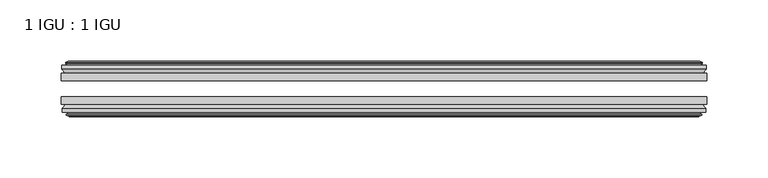
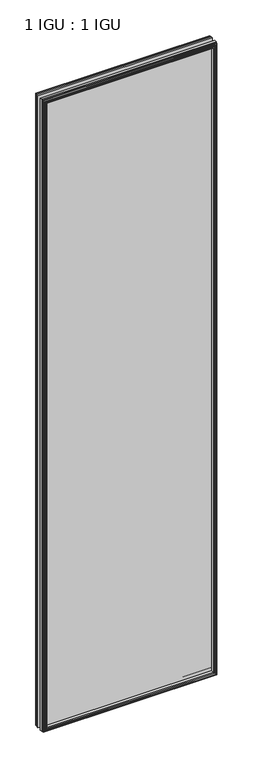
"""IFC4 building model written with IfcOpenShell, lengths in millimetres: plate geometry, 1 IGU : 1 IGU."""

from ifc_helpers import new_model, si_unit, frame, origin, place, context, project, spatial, polyline, outline, extrude, faceted_brep, source, transform, mapped, element, save


def plate_1_igu_1_igu_38ff4143(model_context):
    return source(origin(), model_context, "Body", "SolidModel", [
        extrude(outline(polyline([(263.5317469, -25.8960937), (263.5317469, -32.2460938), (-263.5317469, -32.2460938), (-263.5317469, -25.8960937), (263.5317469, -25.8960937)])), frame((0.0, 0.0, -12.7), z_axis=(0.0, 0.0, 1.0), x_axis=(1.0, 0.0, 0.0)), (0.0, 0.0, 1.0), 2019.3),
        extrude(outline(polyline([(-263.5317469, -51.2960938), (-263.5317469, -45.2686737), (263.5317469, -45.2686737), (263.5317469, -51.2960938), (-263.5317469, -51.2960938)])), frame((0.0, 0.0, -12.7), z_axis=(0.0, 0.0, 1.0), x_axis=(1.0, 0.0, 0.0)), (0.0, 0.0, 1.0), 2019.3),
        faceted_brep([(-257.9437469, -60.0262907, 2001.012), (-258.3247469, -57.6460937, 2001.393), (-258.3247469, -57.6460937, -7.493), (-257.9437469, -60.0262907, -7.112), (-259.3592759, -59.5663575, 2002.4275291), (-259.3592759, -59.5663575, -8.5275291), (-259.3592759, -60.3675717, 2002.4275291), (-259.3592759, -60.3675717, -8.5275291), (-257.1817469, -61.0750937, 2000.25), (-257.1817469, -61.0750937, -6.35), (-255.0042178, -60.3675717, 1998.072471), (-255.0042178, -60.3675717, -4.1724709), (-255.0042178, -59.5663575, 1998.072471), (-255.0042178, -59.5663575, -4.1724709), (-256.4197469, -60.0262907, 1999.488), (-256.4197469, -60.0262907, -5.588), (-256.0387469, -57.6460937, 1999.107), (-256.0387469, -57.6460937, -5.207), (-249.1140288, -51.2960937, 1992.1822819), (-250.8317469, -57.6460937, 1993.9), (-250.8317469, -57.6460937, 0.0), (-249.1140288, -51.2960937, 1.7177181), (-262.7697469, -54.6996937, 2005.838), (-259.9354047, -51.2960937, 2003.0036578), (-259.9354047, -51.2960937, -9.1036578), (-262.7697469, -54.6996937, -11.938), (-262.7697469, -57.6460937, 2005.838), (-262.7697469, -57.6460937, -11.938), (258.3247469, -57.6460938, -7.493), (257.9437469, -60.0262907, -7.112), (259.3592759, -59.5663575, -8.5275291), (259.3592759, -60.3675717, -8.5275291), (257.1817469, -61.0750937, -6.35), (255.0042178, -60.3675717, -4.1724709), (255.0042178, -59.5663575, -4.1724709), (256.4197469, -60.0262907, -5.588), (256.0387469, -57.6460937, -5.207), (250.8317469, -57.6460937, 0.0), (249.1140288, -51.2960937, 1.7177181), (259.9354047, -51.2960937, -9.1036578), (262.7697469, -54.6996937, -11.938), (262.7697469, -57.6460938, -11.938), (258.3247469, -57.6460938, 2001.393), (257.9437469, -60.0262907, 2001.012), (259.3592759, -59.5663575, 2002.4275291), (259.3592759, -60.3675717, 2002.4275291), (257.1817469, -61.0750937, 2000.25), (255.0042178, -60.3675717, 1998.072471), (255.0042178, -59.5663575, 1998.072471), (256.4197469, -60.0262907, 1999.488), (256.0387469, -57.6460937, 1999.107), (250.8317469, -57.6460937, 1993.9), (249.1140288, -51.2960937, 1992.1822819), (259.9354047, -51.2960937, 2003.0036578), (262.7697469, -54.6996937, 2005.838), (262.7697469, -57.6460938, 2005.838)], [[[0, 1, 2, 3]], [[4, 0, 3, 5]], [[6, 4, 5, 7]], [[8, 6, 7, 9]], [[10, 8, 9, 11]], [[12, 10, 11, 13]], [[14, 12, 13, 15]], [[16, 14, 15, 17]], [[18, 19, 20, 21]], [[22, 23, 24, 25]], [[26, 22, 25, 27]], [[3, 2, 28, 29]], [[5, 3, 29, 30]], [[7, 5, 30, 31]], [[9, 7, 31, 32]], [[11, 9, 32, 33]], [[13, 11, 33, 34]], [[15, 13, 34, 35]], [[17, 15, 35, 36]], [[21, 20, 37, 38]], [[25, 24, 39, 40]], [[27, 25, 40, 41]], [[29, 28, 42, 43]], [[30, 29, 43, 44]], [[31, 30, 44, 45]], [[32, 31, 45, 46]], [[33, 32, 46, 47]], [[34, 33, 47, 48]], [[35, 34, 48, 49]], [[36, 35, 49, 50]], [[38, 37, 51, 52]], [[40, 39, 53, 54]], [[41, 40, 54, 55]], [[27, 41, 55, 26], [1, 42, 28, 2]], [[43, 42, 1, 0]], [[44, 43, 0, 4]], [[45, 44, 4, 6]], [[46, 45, 6, 8]], [[47, 46, 8, 10]], [[48, 47, 10, 12]], [[49, 48, 12, 14]], [[50, 49, 14, 16]], [[17, 36, 50, 16], [19, 51, 37, 20]], [[52, 51, 19, 18]], [[23, 53, 39, 24], [21, 38, 52, 18]], [[54, 53, 23, 22]], [[55, 54, 22, 26]]]),
        faceted_brep([(-260.4561047, -25.8960937, 2003.5243578), (-263.2904469, -22.4924937, 2006.3587), (-263.2904469, -22.4924937, -12.4587), (-260.4561047, -25.8960937, -9.6243578), (-251.3524469, -19.5460937, 1994.4207), (-249.6347288, -25.8960937, 1992.7029819), (-249.6347288, -25.8960937, 1.1970181), (-251.3524469, -19.5460937, -0.5207), (-256.9404469, -17.1658968, 2000.0087), (-256.5594469, -19.5460937, 1999.6277), (-256.5594469, -19.5460937, -5.7277), (-256.9404469, -17.1658968, -6.1087), (-255.5249178, -17.62583, 1998.593171), (-255.5249178, -17.62583, -4.6931709), (-255.5249178, -16.8246158, 1998.593171), (-255.5249178, -16.8246158, -4.6931709), (-257.7024469, -16.1170937, 2000.7707), (-257.7024469, -16.1170937, -6.8707), (-259.8799759, -16.8246158, 2002.9482291), (-259.8799759, -16.8246158, -9.0482291), (-259.8799759, -17.62583, 2002.9482291), (-259.8799759, -17.62583, -9.0482291), (-258.4644469, -17.1658968, 2001.5327), (-258.4644469, -17.1658968, -7.6327), (-258.8454469, -19.5460937, 2001.9137), (-258.8454469, -19.5460937, -8.0137), (-263.2904469, -19.5460937, 2006.3587), (-263.2904469, -19.5460937, -12.4587), (263.2904469, -22.4924937, -12.4587), (260.4561047, -25.8960937, -9.6243578), (249.6347288, -25.8960937, 1.1970181), (251.3524469, -19.5460937, -0.5207), (256.5594469, -19.5460937, -5.7277), (256.9404469, -17.1658968, -6.1087), (255.5249178, -17.62583, -4.6931709), (255.5249178, -16.8246158, -4.6931709), (257.7024469, -16.1170937, -6.8707), (259.8799759, -16.8246158, -9.0482291), (259.8799759, -17.62583, -9.0482291), (258.4644469, -17.1658968, -7.6327), (258.8454469, -19.5460937, -8.0137), (263.2904469, -19.5460937, -12.4587), (263.2904469, -22.4924937, 2006.3587), (260.4561047, -25.8960937, 2003.5243578), (249.6347288, -25.8960937, 1992.7029819), (251.3524469, -19.5460937, 1994.4207), (256.5594469, -19.5460937, 1999.6277), (256.9404469, -17.1658968, 2000.0087), (255.5249178, -17.62583, 1998.593171), (255.5249178, -16.8246158, 1998.593171), (257.7024469, -16.1170937, 2000.7707), (259.8799759, -16.8246158, 2002.9482291), (259.8799759, -17.62583, 2002.9482291), (258.4644469, -17.1658968, 2001.5327), (258.8454469, -19.5460937, 2001.9137), (263.2904469, -19.5460937, 2006.3587)], [[[0, 1, 2, 3]], [[4, 5, 6, 7]], [[8, 9, 10, 11]], [[12, 8, 11, 13]], [[14, 12, 13, 15]], [[16, 14, 15, 17]], [[18, 16, 17, 19]], [[20, 18, 19, 21]], [[22, 20, 21, 23]], [[24, 22, 23, 25]], [[1, 26, 27, 2]], [[3, 2, 28, 29]], [[7, 6, 30, 31]], [[11, 10, 32, 33]], [[13, 11, 33, 34]], [[15, 13, 34, 35]], [[17, 15, 35, 36]], [[19, 17, 36, 37]], [[21, 19, 37, 38]], [[23, 21, 38, 39]], [[25, 23, 39, 40]], [[2, 27, 41, 28]], [[29, 28, 42, 43]], [[31, 30, 44, 45]], [[33, 32, 46, 47]], [[34, 33, 47, 48]], [[35, 34, 48, 49]], [[36, 35, 49, 50]], [[37, 36, 50, 51]], [[38, 37, 51, 52]], [[39, 38, 52, 53]], [[40, 39, 53, 54]], [[28, 41, 55, 42]], [[43, 42, 1, 0]], [[3, 29, 43, 0], [5, 44, 30, 6]], [[45, 44, 5, 4]], [[9, 46, 32, 10], [7, 31, 45, 4]], [[47, 46, 9, 8]], [[48, 47, 8, 12]], [[49, 48, 12, 14]], [[50, 49, 14, 16]], [[51, 50, 16, 18]], [[52, 51, 18, 20]], [[53, 52, 20, 22]], [[54, 53, 22, 24]], [[26, 55, 41, 27], [25, 40, 54, 24]], [[42, 55, 26, 1]]]),
    ])


if __name__ == "__main__":
    model = new_model("IFC4")
    model_context = context("Model", 3, world=origin())
    ifc_project = project(units=[si_unit("LENGTHUNIT", "METRE", prefix="MILLI")], contexts=[model_context])
    site = spatial("IfcSite", under=ifc_project)
    building = spatial("IfcBuilding", under=site)
    placement = place(None, origin())
    plate_1_igu_1_igu_shape = plate_1_igu_1_igu_38ff4143(model_context)
    element("IfcPlate", 1, ObjectType="1 IGU : 1 IGU", at=placement, inside=building, context=model_context, shape_type="MappedRepresentation", body=[
        mapped(plate_1_igu_1_igu_shape, transform((0.0, 0.0, 0.0), x_axis=(1.0, 0.0, 0.0), y_axis=(0.0, 1.0, 0.0), z_axis=(0.0, 0.0, 1.0))),
    ])
    save(model, "model.ifc")
